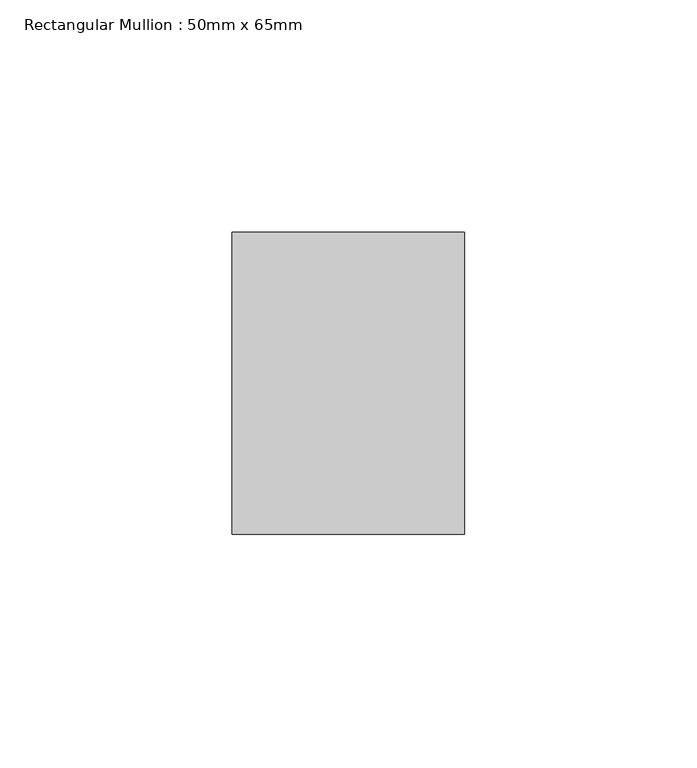
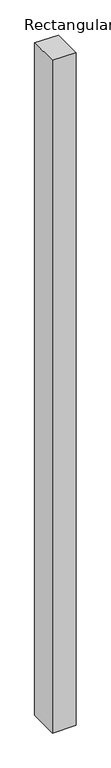
"""IFC4 building model written with IfcOpenShell, lengths in millimetres: member geometry, Rectangular Mullion : 50mm x 65mm."""

import ifcopenshell
import ifcopenshell.guid

model = None  # the IFC model being written
_history = None  # IfcOwnerHistory: only IFC2X3 demands one
_inside = {}  # id of a spatial element -> (the spatial element, [elements in it])
_under = {}  # id of a project, library or spatial element -> (it, [spatial elements below it])
_declared = {}  # id of a project -> (the project, [libraries it declares])
_typed = {}  # id of a type object -> (the type object, [elements of that type])
_made_of = {}  # id of a material, layer set ... -> (it, [elements and type objects made of it])


def new_model(schema):
    """Start an empty IFC model of exactly this schema.

    Asked for "IFC4X3", IfcOpenShell would pick the latest addendum, in which some entities
    have other attributes; the version numbers below select the first issue.
    IFC2X3 requires an IfcOwnerHistory on every rooted entity: one is made here for all.
    """
    global model, _history
    if schema == "IFC4X3":
        model = ifcopenshell.file(schema_version=(4, 3, 0, 0))
    else:
        model = ifcopenshell.file(schema=schema)
    _inside.clear()
    _under.clear()
    _declared.clear()
    _typed.clear()
    _made_of.clear()
    _history = None
    if model.schema == "IFC2X3":
        org = make("IfcOrganization", Name="unknown")
        user = make(
            "IfcPersonAndOrganization",
            ThePerson=make("IfcPerson", FamilyName="unknown"),
            TheOrganization=org,
        )
        app = make(
            "IfcApplication",
            ApplicationDeveloper=org,
            Version="unknown",
            ApplicationFullName="unknown",
            ApplicationIdentifier="unknown",
        )
        _history = make(
            "IfcOwnerHistory",
            OwningUser=user,
            OwningApplication=app,
            ChangeAction="ADDED",
            CreationDate=0,
        )
    return model


def make(cls, **values):
    """One entity of the class cls with the attributes given. An attribute that is None is left unset."""
    return model.create_entity(
        cls, **{name: value for name, value in values.items() if value is not None}
    )


def rooted(cls, **values):
    """An entity with a GlobalId (a new one), such as an element, a storey or a relation."""
    return make(cls, GlobalId=ifcopenshell.guid.new(), OwnerHistory=_history, **values)


def si_unit(unit_type, name, prefix=None):
    """IfcSIUnit, for example si_unit("LENGTHUNIT", "METRE", prefix="MILLI")."""
    return make("IfcSIUnit", UnitType=unit_type, Prefix=prefix, Name=name)


def assignment(units):
    """IfcUnitAssignment: the units of a project."""
    return None if units is None else make("IfcUnitAssignment", Units=units)


def point(xyz):
    """IfcCartesianPoint."""
    return None if xyz is None else make("IfcCartesianPoint", Coordinates=xyz)


def direction(xyz):
    """IfcDirection."""
    return None if xyz is None else make("IfcDirection", DirectionRatios=xyz)


def frame(location, z_axis=None, x_axis=None):
    """IfcAxis2Placement3D, a coordinate frame: its origin and axes. An axis left out is left unset."""
    return make(
        "IfcAxis2Placement3D",
        Location=point(location),
        Axis=direction(z_axis),
        RefDirection=direction(x_axis),
    )


def origin():
    """The frame at (0, 0, 0) with its axes left unset."""
    return frame((0.0, 0.0, 0.0))


def place(relative_to, where):
    """IfcLocalPlacement: puts the frame where relative to a parent placement (None: the world)."""
    return make(
        "IfcLocalPlacement", PlacementRelTo=relative_to, RelativePlacement=where
    )


def context(
    kind, dimensions, precision=None, world=None, true_north=None, identifier=None
):
    """IfcGeometricRepresentationContext, for example the 3D "Model" context."""
    return make(
        "IfcGeometricRepresentationContext",
        ContextIdentifier=identifier,
        ContextType=kind,
        CoordinateSpaceDimension=dimensions,
        Precision=precision,
        WorldCoordinateSystem=world,
        TrueNorth=true_north,
    )


def project(units=None, contexts=None):
    """IfcProject with its units and contexts."""
    return rooted(
        "IfcProject",
        Name="project",
        RepresentationContexts=contexts,
        UnitsInContext=assignment(units),
    )


def spatial(cls, under=None, at=None, **own):
    """A site, building, storey or space (cls), placed at a placement, below another one or the project."""
    s = rooted(cls, ObjectPlacement=at, **own)
    if under is not None:
        _under.setdefault(under.id(), (under, []))[1].append(s)
    return s


def faces_of(points, faces, orient=None, outer=None):
    """IfcFace entities. A face is a list of loops; a loop is a list of indices into points, from 0.

    orient and outer hold one flag for each loop. By default every Orientation is true, the
    first loop of a face is its IfcFaceOuterBound and the others are IfcFaceBound.
    """
    made = []
    for i, loops in enumerate(faces):
        bounds = []
        for j, loop in enumerate(loops):
            is_outer = j == 0 if outer is None else outer[i][j]
            bounds.append(
                make(
                    "IfcFaceOuterBound" if is_outer else "IfcFaceBound",
                    Bound=make("IfcPolyLoop", Polygon=[points[k] for k in loop]),
                    Orientation=True if orient is None else orient[i][j],
                )
            )
        made.append(make("IfcFace", Bounds=bounds))
    return made


def faceted_brep(points, faces, orient=None, outer=None, voids=None):
    """IfcFacetedBrep: a solid bounded by flat faces; with voids (closed shells), ...WithVoids."""
    shared = [point(p) for p in points]
    hull = make("IfcClosedShell", CfsFaces=faces_of(shared, faces, orient, outer))
    if voids is None:
        return make("IfcFacetedBrep", Outer=hull)
    return make(
        "IfcFacetedBrepWithVoids",
        Outer=hull,
        Voids=[
            make(cls, CfsFaces=faces_of(shared, fs, o, b)) for cls, fs, o, b in voids
        ],
    )


def shape(context_of_items, identifier, shape_type, items):
    """IfcShapeRepresentation: the items that make up one representation, for example the "Body"."""
    return make(
        "IfcShapeRepresentation",
        ContextOfItems=context_of_items,
        RepresentationIdentifier=identifier,
        RepresentationType=shape_type,
        Items=items,
    )


def source(mapping_origin, context_of_items, identifier, shape_type, items):
    """IfcRepresentationMap: a shape defined once, which mapped items show again and again."""
    return make(
        "IfcRepresentationMap",
        MappingOrigin=mapping_origin,
        MappedRepresentation=shape(context_of_items, identifier, shape_type, items),
    )


def transform(
    local_origin,
    x_axis=None,
    y_axis=None,
    z_axis=None,
    scale=None,
    scale2=None,
    scale3=None,
    uniform=True,
):
    """IfcCartesianTransformationOperator3D, or its non-uniform kind. x_axis, y_axis, z_axis: its Axis1, 2, 3."""
    if uniform:
        return make(
            "IfcCartesianTransformationOperator3D",
            Axis1=direction(x_axis),
            Axis2=direction(y_axis),
            LocalOrigin=point(local_origin),
            Scale=scale,
            Axis3=direction(z_axis),
        )
    return make(
        "IfcCartesianTransformationOperator3DnonUniform",
        Axis1=direction(x_axis),
        Axis2=direction(y_axis),
        LocalOrigin=point(local_origin),
        Scale=scale,
        Axis3=direction(z_axis),
        Scale2=scale2,
        Scale3=scale3,
    )


def mapped(mapping_source, mapping_target):
    """IfcMappedItem: shows the shape of a source again, moved by a transform."""
    return make(
        "IfcMappedItem", MappingSource=mapping_source, MappingTarget=mapping_target
    )


def made_of(thing, what):
    """Note that an element or type object is made of a material, layer set ...; save() writes the relation."""
    if what is not None:
        _made_of.setdefault(what.id(), (what, []))[1].append(thing)
    return thing


def element(
    cls,
    number,
    at=None,
    inside=None,
    cuts=None,
    type_object=None,
    material=None,
    context=None,
    identifier="Body",
    shape_type=None,
    held_by="IfcProductDefinitionShape",
    body=None,
    shapes=None,
    **own,
):
    """One element of the class cls, such as IfcWall. Its Tag is "e" and its number.

    at: its placement. inside: the storey or other place that contains it. cuts: it is an
    opening in that element (IfcRelVoidsElement). A single representation is given by context,
    identifier, shape_type and body (its items); several are given by shapes. held_by: the class
    of the entity that holds the representations. save() writes the other relations.
    """
    e = rooted(cls, Tag="e%d" % number, ObjectPlacement=at, **own)
    if body is not None:
        shapes = [shape(context, identifier, shape_type, body)]
    if shapes is not None:
        e.Representation = make(held_by, Representations=shapes)
    if inside is not None:
        _inside.setdefault(inside.id(), (inside, []))[1].append(e)
    if cuts is not None:
        rooted(
            "IfcRelVoidsElement", RelatingBuildingElement=cuts, RelatedOpeningElement=e
        )
    if type_object is not None:
        _typed.setdefault(type_object.id(), (type_object, []))[1].append(e)
    return made_of(e, material)


def aggregate(whole, parts):
    """IfcRelAggregates: a whole, such as a stair, and the parts it consists of."""
    return rooted("IfcRelAggregates", RelatingObject=whole, RelatedObjects=parts)


def save(model, path):
    """Write the relations noted so far, then the file.

    IfcRelAggregates (storeys below a building ...), IfcRelContainedInSpatialStructure (elements
    in a storey), IfcRelDefinesByType, IfcRelAssociatesMaterial and IfcRelDeclares: one each for
    every whole, place, type object, material and project.
    """
    for whole, parts in _under.values():
        aggregate(whole, parts)
    for where, things in _inside.values():
        rooted(
            "IfcRelContainedInSpatialStructure",
            RelatedElements=things,
            RelatingStructure=where,
        )
    for kind, things in _typed.values():
        rooted("IfcRelDefinesByType", RelatedObjects=things, RelatingType=kind)
    for what, things in _made_of.values():
        rooted("IfcRelAssociatesMaterial", RelatedObjects=things, RelatingMaterial=what)
    for by, libraries in _declared.values():
        rooted("IfcRelDeclares", RelatingContext=by, RelatedDefinitions=libraries)
    model.write(path)


def rectangular_mullion_50mm_x_65mm_0fa7fb11(model_context):
    return source(origin(), model_context, "Body", "Brep", [
        faceted_brep([(-25.0, 32.5, -0.1073316), (25.0, 32.5, -0.1073311), (25.0, 32.5, -1499.9558115), (-25.0, 32.5, -1499.9558113), (-25.0, -32.5, 0.1073311), (-25.0, -32.5, -1500.0444853), (25.0, -32.5, 0.1073316), (25.0, -32.5, -1500.0444855)], [[[0, 1, 2, 3]], [[4, 0, 3, 5]], [[6, 4, 5, 7]], [[1, 6, 7, 2]], [[1, 0, 4, 6]], [[2, 7, 5, 3]]]),
    ])


if __name__ == "__main__":
    model = new_model("IFC4")
    model_context = context("Model", 3, world=origin())
    ifc_project = project(units=[si_unit("LENGTHUNIT", "METRE", prefix="MILLI")], contexts=[model_context])
    site = spatial("IfcSite", under=ifc_project)
    building = spatial("IfcBuilding", under=site)
    placement = place(None, origin())
    rectangular_mullion_50mm_x_65mm_shape = rectangular_mullion_50mm_x_65mm_0fa7fb11(model_context)
    element("IfcMember", 1, ObjectType="Rectangular Mullion : 50mm x 65mm", at=placement, inside=building, context=model_context, shape_type="MappedRepresentation", body=[
        mapped(rectangular_mullion_50mm_x_65mm_shape, transform((0.0, 0.0, 0.0), x_axis=(1.0, 0.0, 0.0), y_axis=(0.0, 1.0, 0.0), z_axis=(0.0, 0.0, 1.0))),
    ])
    save(model, "model.ifc")
